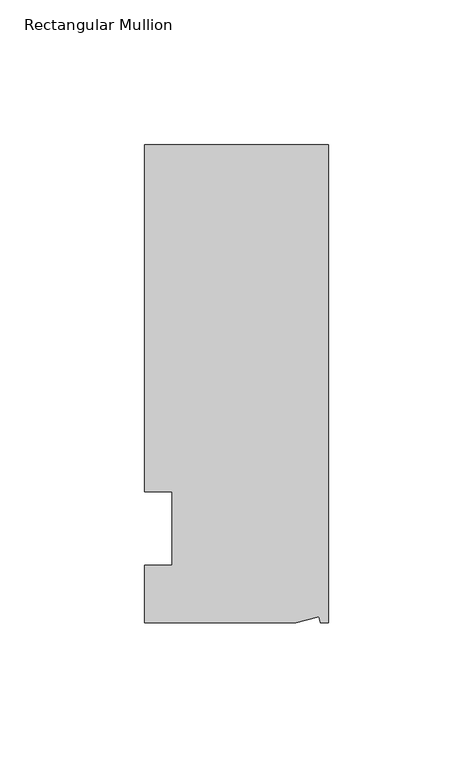
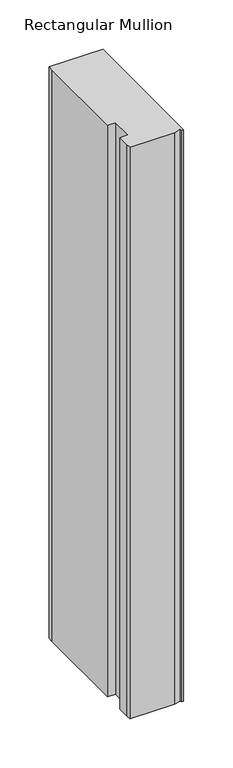
"""IFC4 building model written with IfcOpenShell, lengths in millimetres: member geometry, Rectangular Mullion."""

from ifc_helpers import new_model, si_unit, frame, origin, place, context, project, spatial, polyline, outline, extrude, source, transform, mapped, element, save


def rectangular_mullion_a1a63cbd(model_context):
    return source(origin(), model_context, "Body", "SweptSolid", [
        extrude(outline(polyline([(0.0, 132.5561012), (0.0, -32.5438988), (-2.7616541, -32.5438988), (-3.3341886, -30.4622958), (-11.121847, -32.5438988), (-63.5, -32.5438988), (-63.5, -26.1938988), (-63.5, -12.5945801), (-53.975, -12.5945801), (-53.975, 12.8054199), (-63.5, 12.8054199), (-63.5, 126.2061012), (-63.5, 132.5561012), (0.0, 132.5561012)])), frame((0.0, 0.0, -711.2), z_axis=(0.0, 0.0, 1.0), x_axis=(1.0, 0.0, 0.0)), (0.0, 0.0, 1.0), 711.2),
    ])


if __name__ == "__main__":
    model = new_model("IFC4")
    model_context = context("Model", 3, world=origin())
    ifc_project = project(units=[si_unit("LENGTHUNIT", "METRE", prefix="MILLI")], contexts=[model_context])
    site = spatial("IfcSite", under=ifc_project)
    building = spatial("IfcBuilding", under=site)
    placement = place(None, origin())
    rectangular_mullion_shape = rectangular_mullion_a1a63cbd(model_context)
    element("IfcMember", 1, ObjectType="Rectangular Mullion", at=placement, inside=building, context=model_context, shape_type="MappedRepresentation", body=[
        mapped(rectangular_mullion_shape, transform((0.0, 0.0, 0.0), x_axis=(1.0, 0.0, 0.0), y_axis=(0.0, 1.0, 0.0), z_axis=(0.0, 0.0, 1.0))),
    ])
    save(model, "model.ifc")
